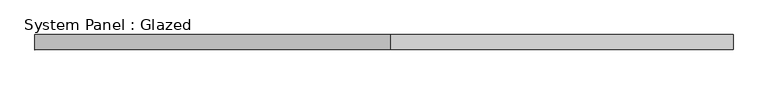
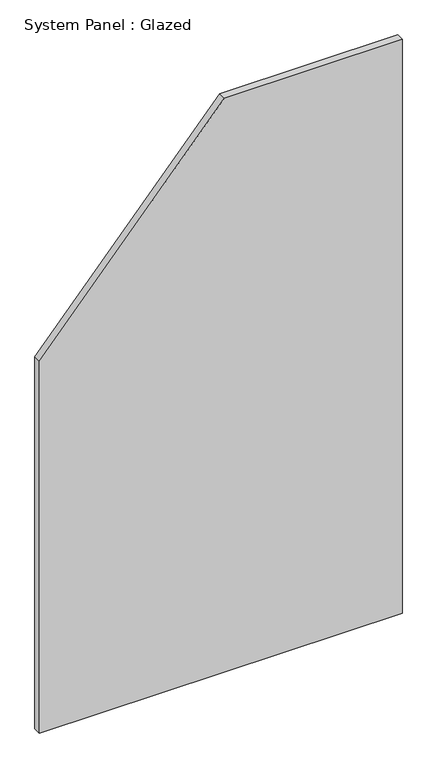
"""IFC4 building model written with IfcOpenShell, lengths in millimetres: plate geometry, System Panel : Glazed."""

from ifc_helpers import new_model, si_unit, frame, origin, place, context, project, spatial, polyline, outline, extrude, source, transform, mapped, element, save


def system_panel_glazed_5e01d4a8(model_context):
    return source(origin(), model_context, "Body", "SweptSolid", [
        extrude(outline(polyline([(0.0, -580.0), (0.0, 580.0), (1940.0, 580.0), (1940.0, 11.4233466), (1257.0831433, -580.0), (0.0, -580.0)])), frame((0.0, 24.5, 0.0), z_axis=(0.0, 1.0, 0.0), x_axis=(0.0, 0.0, 1.0)), (0.0, 0.0, 1.0), 25.0),
    ])


if __name__ == "__main__":
    model = new_model("IFC4")
    model_context = context("Model", 3, world=origin())
    ifc_project = project(units=[si_unit("LENGTHUNIT", "METRE", prefix="MILLI")], contexts=[model_context])
    site = spatial("IfcSite", under=ifc_project)
    building = spatial("IfcBuilding", under=site)
    placement = place(None, origin())
    system_panel_glazed_shape = system_panel_glazed_5e01d4a8(model_context)
    element("IfcPlate", 1, ObjectType="System Panel : Glazed", at=placement, inside=building, context=model_context, shape_type="MappedRepresentation", body=[
        mapped(system_panel_glazed_shape, transform((0.0, 0.0, 0.0), x_axis=(1.0, 0.0, 0.0), y_axis=(0.0, 1.0, 0.0), z_axis=(0.0, 0.0, 1.0))),
    ])
    save(model, "model.ifc")
